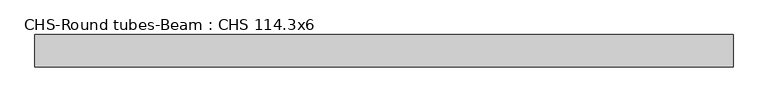
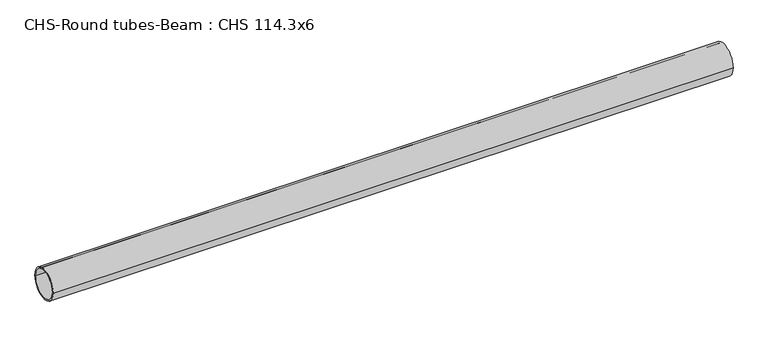
"""IFC4 building model written with IfcOpenShell, lengths in millimetres: beam geometry, CHS-Round tubes-Beam : CHS 114.3x6."""

from ifc_helpers import new_model, si_unit, point, frame, origin, origin_2d, place, context, project, spatial, circle_curve, trimmed, segment, composite_curve, outline, extrude, source, transform, mapped, element, save


def chs_round_tubes_beam_chs_114_3x6_dc408d07(model_context):
    return source(origin(), model_context, "Body", "SweptSolid", [
        extrude(outline(composite_curve([segment(trimmed(circle_curve(origin_2d(), 57.15), [point((57.15, 0.0))], [point((-57.15, 0.0))], False, "CARTESIAN"), True, "CONTINUOUS"), segment(trimmed(circle_curve(origin_2d(), 57.15), [point((-57.15, 0.0))], [point((57.15, 0.0))], False, "CARTESIAN"), True, "CONTINUOUS")], self_intersect=False), holes=[composite_curve([segment(trimmed(circle_curve(origin_2d(), 51.15), [point((51.15, 0.0))], [point((-51.15, 0.0))], True, "CARTESIAN"), True, "CONTINUOUS"), segment(trimmed(circle_curve(origin_2d(), 51.15), [point((-51.15, 0.0))], [point((51.15, 0.0))], True, "CARTESIAN"), True, "CONTINUOUS")], self_intersect=False)]), frame((-1204.7382028, 0.0, 0.0), z_axis=(1.0, 0.0, 0.0), x_axis=(0.0, 1.0, 0.0)), (0.0, 0.0, 1.0), 2471.0950278),
    ])


if __name__ == "__main__":
    model = new_model("IFC4")
    model_context = context("Model", 3, world=origin())
    ifc_project = project(units=[si_unit("LENGTHUNIT", "METRE", prefix="MILLI")], contexts=[model_context])
    site = spatial("IfcSite", under=ifc_project)
    building = spatial("IfcBuilding", under=site)
    placement = place(None, origin())
    chs_round_tubes_beam_chs_114_3x6_shape = chs_round_tubes_beam_chs_114_3x6_dc408d07(model_context)
    element("IfcBeam", 1, ObjectType="CHS-Round tubes-Beam : CHS 114.3x6", at=placement, inside=building, context=model_context, shape_type="MappedRepresentation", body=[
        mapped(chs_round_tubes_beam_chs_114_3x6_shape, transform((0.0, 0.0, 0.0), x_axis=(1.0, 0.0, 0.0), y_axis=(0.0, 1.0, 0.0), z_axis=(0.0, 0.0, 1.0))),
    ])
    save(model, "model.ifc")
